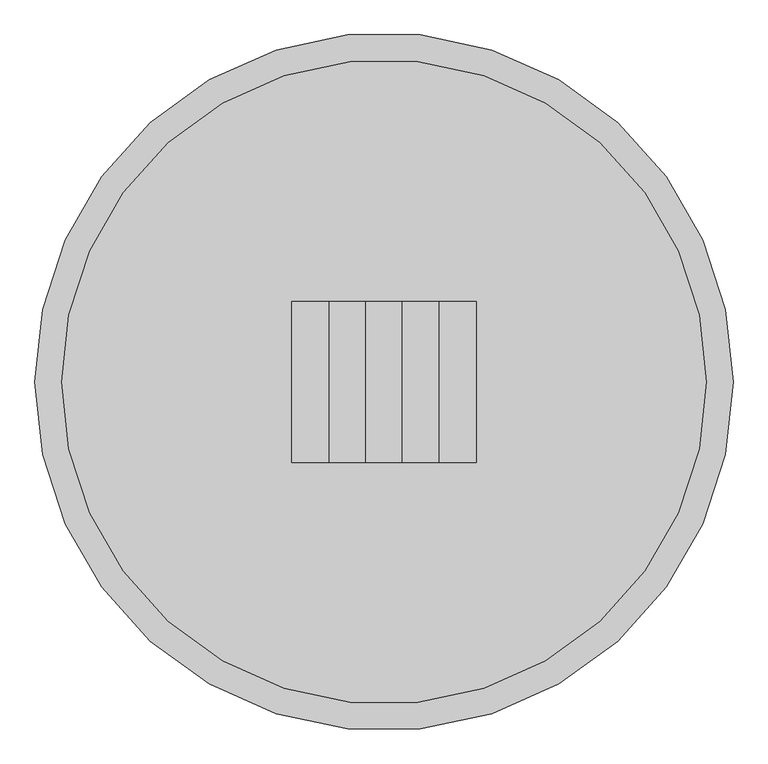
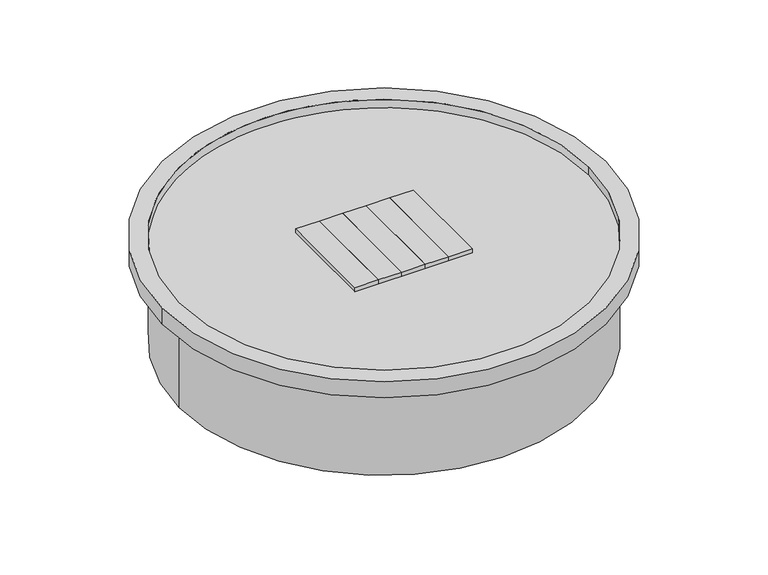
"""IFC4 building model written with IfcOpenShell, lengths in millimetres: proxy geometry."""

from ifc_helpers import new_model, si_unit, point, frame, origin, origin_with_axes, origin_2d, place, context, project, spatial, polyline, circle_curve, trimmed, segment, composite_curve, outline, extrude, source, transform, mapped, element, save


def generic_models_d7867a24(model_context):
    return source(origin(), model_context, "Body", "SweptSolid", [
        extrude(outline(polyline([(104.775, -152.4), (104.775, 152.4), (174.625, 152.4), (174.625, -152.4), (104.775, -152.4)])), frame((0.0, 0.0, 279.4), z_axis=(0.0, 0.0, 1.0), x_axis=(1.0, 0.0, 0.0)), (0.0, 0.0, 1.0), 38.1),
        extrude(outline(polyline([(34.925, -152.4), (34.925, 152.4), (104.775, 152.4), (104.775, -152.4), (34.925, -152.4)])), frame((0.0, 0.0, 279.4), z_axis=(0.0, 0.0, 1.0), x_axis=(1.0, 0.0, 0.0)), (0.0, 0.0, 1.0), 38.1),
        extrude(outline(polyline([(-34.925, -152.4), (-34.925, 152.4), (34.925, 152.4), (34.925, -152.4), (-34.925, -152.4)])), frame((0.0, 0.0, 279.4), z_axis=(0.0, 0.0, 1.0), x_axis=(1.0, 0.0, 0.0)), (0.0, 0.0, 1.0), 38.1),
        extrude(outline(polyline([(-104.775, -152.4), (-174.625, -152.4), (-174.625, 152.4), (-104.775, 152.4), (-104.775, -152.4)])), frame((0.0, 0.0, 279.4), z_axis=(0.0, 0.0, 1.0), x_axis=(1.0, 0.0, 0.0)), (0.0, 0.0, 1.0), 38.1),
        extrude(outline(polyline([(-104.775, -152.4), (-104.775, 152.4), (-34.925, 152.4), (-34.925, -152.4), (-104.775, -152.4)])), frame((0.0, 0.0, 279.4), z_axis=(0.0, 0.0, 1.0), x_axis=(1.0, 0.0, 0.0)), (0.0, 0.0, 1.0), 38.1),
        extrude(outline(composite_curve([segment(trimmed(circle_curve(origin_2d(), 609.6), [point((609.6, 0.0))], [point((-609.6, 0.0))], False, "CARTESIAN"), True, "CONTINUOUS"), segment(trimmed(circle_curve(origin_2d(), 609.6), [point((-609.6, 0.0))], [point((609.6, 0.0))], False, "CARTESIAN"), True, "CONTINUOUS")], self_intersect=False)), frame((0.0, 0.0, 279.4), z_axis=(0.0, 0.0, 1.0), x_axis=(1.0, 0.0, 0.0)), (0.0, 0.0, 1.0), 25.4),
        extrude(outline(composite_curve([segment(trimmed(circle_curve(origin_2d(), 660.4), [point((-660.4, 0.0))], [point((660.4, 0.0))], False, "CARTESIAN"), True, "CONTINUOUS"), segment(trimmed(circle_curve(origin_2d(), 660.4), [point((660.4, 0.0))], [point((-660.4, 0.0))], False, "CARTESIAN"), True, "CONTINUOUS")], self_intersect=False), holes=[composite_curve([segment(trimmed(circle_curve(origin_2d(), 609.6), [point((-609.6, 0.0))], [point((609.6, 0.0))], True, "CARTESIAN"), True, "CONTINUOUS"), segment(trimmed(circle_curve(origin_2d(), 609.6), [point((609.6, 0.0))], [point((-609.6, 0.0))], True, "CARTESIAN"), True, "CONTINUOUS")], self_intersect=False)]), frame((0.0, 0.0, 279.4), z_axis=(0.0, 0.0, 1.0), x_axis=(1.0, 0.0, 0.0)), (0.0, 0.0, 1.0), 50.8),
        extrude(outline(composite_curve([segment(trimmed(circle_curve(origin_2d(), 609.6), [point((-609.6, 0.0))], [point((609.6, 0.0))], False, "CARTESIAN"), True, "CONTINUOUS"), segment(trimmed(circle_curve(origin_2d(), 609.6), [point((609.6, 0.0))], [point((-609.6, 0.0))], False, "CARTESIAN"), True, "CONTINUOUS")], self_intersect=False)), origin_with_axes(), (0.0, 0.0, 1.0), 279.4),
    ])


if __name__ == "__main__":
    model = new_model("IFC4")
    model_context = context("Model", 3, world=origin())
    ifc_project = project(units=[si_unit("LENGTHUNIT", "METRE", prefix="MILLI")], contexts=[model_context])
    site = spatial("IfcSite", under=ifc_project)
    building = spatial("IfcBuilding", under=site)
    placement = place(None, origin())
    generic_models_shape = generic_models_d7867a24(model_context)
    element("IfcBuildingElementProxy", 1, Name="Generic Models", at=placement, inside=building, context=model_context, shape_type="MappedRepresentation", body=[
        mapped(generic_models_shape, transform((0.0, 0.0, 0.0), x_axis=(1.0, 0.0, 0.0), y_axis=(0.0, 1.0, 0.0), z_axis=(0.0, 0.0, 1.0))),
    ])
    save(model, "model.ifc")
